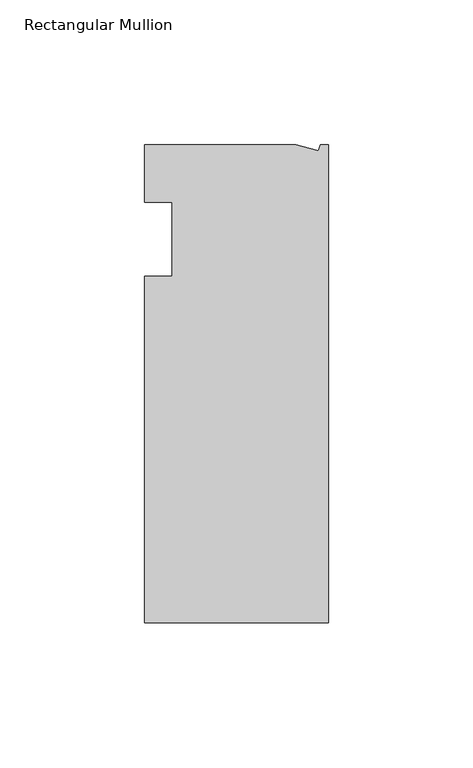
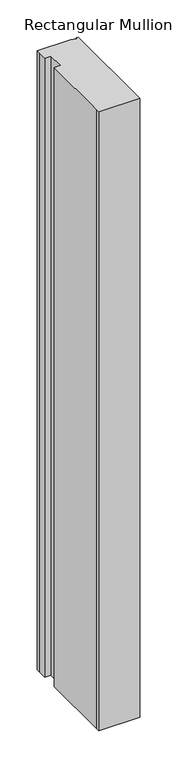
"""IFC4 building model written with IfcOpenShell, lengths in millimetres: member geometry, Rectangular Mullion."""

from ifc_helpers import new_model, si_unit, origin, place, context, project, spatial, faceted_brep, source, transform, mapped, element, save


def rectangular_mullion_4d571e9c(model_context):
    return source(origin(), model_context, "Body", "Brep", [
        faceted_brep([(0.0, -132.5561012, 0.0), (0.0, 32.5438988, 0.0), (-2.7630634, 32.5438988, 0.0), (-3.3223696, 30.4565397, 0.0), (-11.1125, 32.5438988, 0.0), (-63.5076469, 32.5438988, 0.0), (-63.5076469, 26.1938988, 0.0), (-63.5, 12.7, 0.0), (-53.975, 12.7, 0.0), (-53.975, -12.8488281, 0.0), (-63.5, -12.8488281, 0.0), (-63.5, -126.2061012, 0.0), (-63.5, -132.5561012, 0.0), (0.0, -132.5561012, -1016.0), (-63.5, -132.5561012, -1016.0), (-63.5, -126.2061012, -1016.0), (-63.5, -12.8488281, -1016.0), (-53.975, -12.8488281, -1016.0), (-53.975, 12.7, -1016.0), (-63.5, 12.7, -1016.0), (-63.5, 26.1938988, -1016.0), (-63.5076469, 32.5438988, -1016.0), (-11.1125, 32.5438988, -1016.0), (-3.3223696, 30.4565397, -1016.0), (-2.7630634, 32.5438988, -1016.0), (0.0, 32.5438988, -1016.0)], [[[0, 1, 2, 3, 4, 5, 6, 7, 8, 9, 10, 11, 12]], [[13, 14, 15, 16, 17, 18, 19, 20, 21, 22, 23, 24, 25]], [[1, 0, 13, 25]], [[2, 1, 25, 24]], [[3, 2, 24, 23]], [[4, 3, 23, 22]], [[5, 4, 22, 21]], [[7, 6, 20, 19]], [[8, 7, 19, 18]], [[9, 8, 18, 17]], [[10, 9, 17, 16]], [[11, 10, 16, 15]], [[0, 12, 14, 13]], [[6, 5, 21, 20]], [[12, 11, 15, 14]]]),
    ])


if __name__ == "__main__":
    model = new_model("IFC4")
    model_context = context("Model", 3, world=origin())
    ifc_project = project(units=[si_unit("LENGTHUNIT", "METRE", prefix="MILLI")], contexts=[model_context])
    site = spatial("IfcSite", under=ifc_project)
    building = spatial("IfcBuilding", under=site)
    placement = place(None, origin())
    rectangular_mullion_shape = rectangular_mullion_4d571e9c(model_context)
    element("IfcMember", 1, ObjectType="Rectangular Mullion", at=placement, inside=building, context=model_context, shape_type="MappedRepresentation", body=[
        mapped(rectangular_mullion_shape, transform((0.0, 0.0, 0.0), x_axis=(1.0, 0.0, 0.0), y_axis=(0.0, 1.0, 0.0), z_axis=(0.0, 0.0, 1.0))),
    ])
    save(model, "model.ifc")
